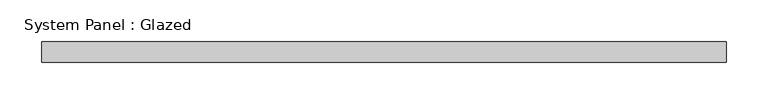
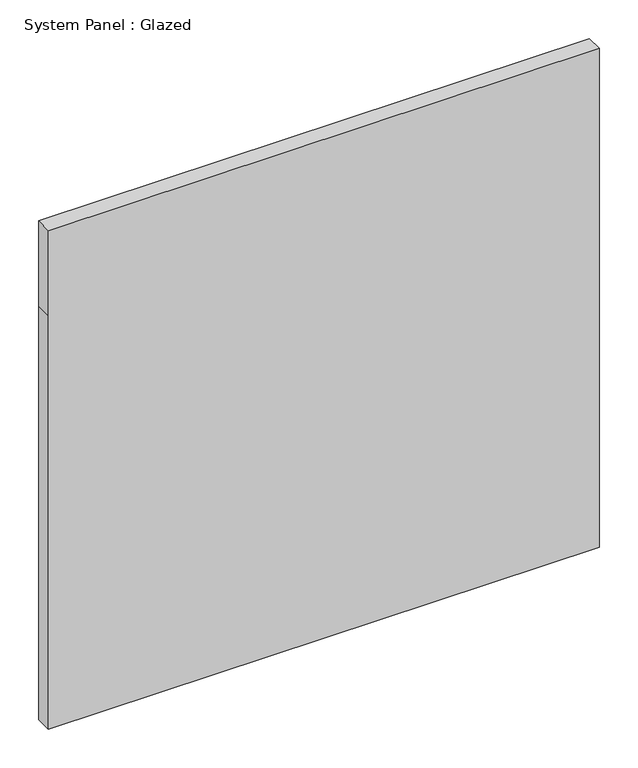
"""IFC4 building model written with IfcOpenShell, lengths in millimetres: plate geometry, System Panel : Glazed."""

from ifc_helpers import new_model, si_unit, frame, origin, place, context, project, spatial, polyline, outline, extrude, source, transform, mapped, element, save


def system_panel_glazed_523b975c(model_context):
    return source(origin(), model_context, "Body", "SweptSolid", [
        extrude(outline(polyline([(0.0, -412.5), (0.0, 412.5), (655.0, 412.5), (790.0, 412.5), (790.0, -412.5), (655.0, -412.5), (0.0, -412.5)])), frame((0.0, 24.5, 0.0), z_axis=(0.0, 1.0, 0.0), x_axis=(0.0, 0.0, 1.0)), (0.0, 0.0, 1.0), 25.0),
    ])


if __name__ == "__main__":
    model = new_model("IFC4")
    model_context = context("Model", 3, world=origin())
    ifc_project = project(units=[si_unit("LENGTHUNIT", "METRE", prefix="MILLI")], contexts=[model_context])
    site = spatial("IfcSite", under=ifc_project)
    building = spatial("IfcBuilding", under=site)
    placement = place(None, origin())
    system_panel_glazed_shape = system_panel_glazed_523b975c(model_context)
    element("IfcPlate", 1, ObjectType="System Panel : Glazed", at=placement, inside=building, context=model_context, shape_type="MappedRepresentation", body=[
        mapped(system_panel_glazed_shape, transform((0.0, 0.0, 0.0), x_axis=(1.0, 0.0, 0.0), y_axis=(0.0, 1.0, 0.0), z_axis=(0.0, 0.0, 1.0))),
    ])
    save(model, "model.ifc")
